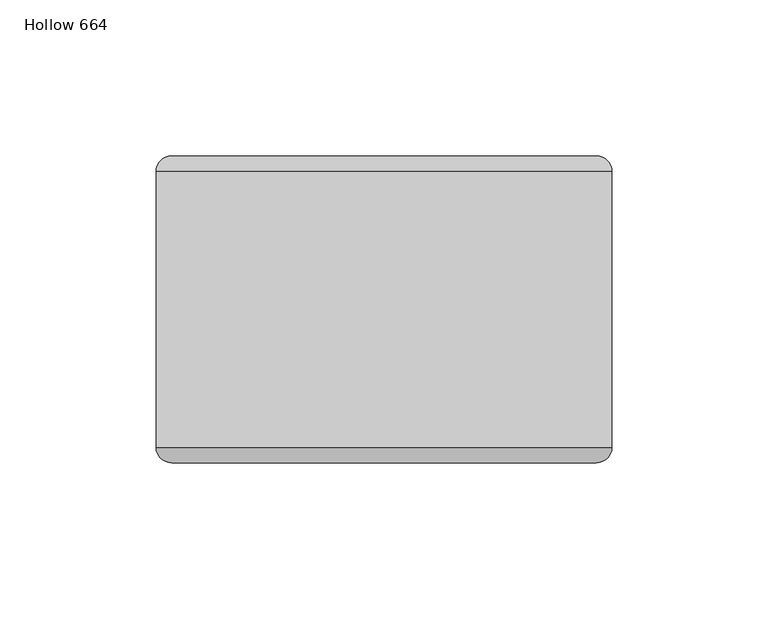
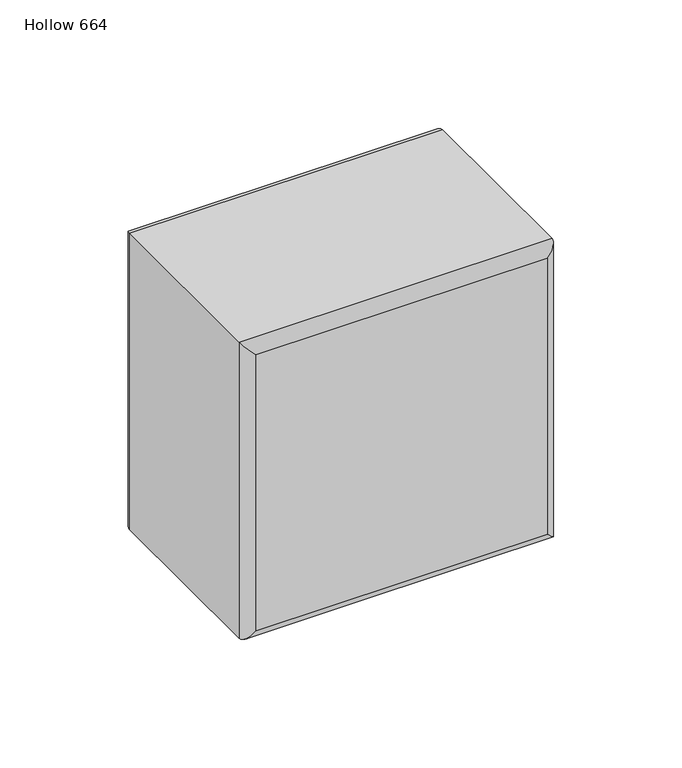
"""IFC4 building model written with IfcOpenShell, lengths in millimetres: plate geometry, Hollow 664."""

from ifc_helpers import new_model, si_unit, frame, origin, place, context, project, spatial, ellipse_curve, source, transform, mapped, element, save
from ifc_brep_helpers import plane_surface, cylinder_surface, advanced_brep


def hollow_664_4c08900d(model_context):
    return source(origin(), model_context, "Body", "AdvancedBrep", [
        advanced_brep(
        [(-73.025, -44.2, 146.1), (73.075, -44.2, 146.1), (73.075, 44.2, 146.1), (-73.025, 44.2, 146.1), (73.075, -44.2, 0.0), (-73.025, -44.2, 0.0), (-73.025, 44.2, 0.0), (73.075, 44.2, 0.0), (-68.025, -49.2, 5.0), (68.075, -49.2, 5.0), (68.075, -49.2, 141.1), (-68.025, -49.2, 141.1), (68.075, 49.2, 5.0), (-68.025, 49.2, 5.0), (-68.025, 49.2, 141.1), (68.075, 49.2, 141.1)],
        [
            (0, 1),
            (1, 2),
            (2, 3),
            (3, 0),
            (4, 5),
            (5, 6),
            (6, 7),
            (7, 4),
            (8, 9),
            (9, 10),
            (10, 11),
            (11, 8),
            (1, 4),
            (7, 2),
            (12, 13),
            (13, 14),
            (14, 15),
            (15, 12),
            (5, 0),
            (3, 6),
            (4, 9, ellipse_curve(frame((68.075, -44.2, 5.0), z_axis=(-0.7071067811865475, 0.0, -0.7071067811865475), x_axis=(0.7071067811865476, 0.0, -0.7071067811865474)), 7.0710678, 5.0)),
            (8, 5, ellipse_curve(frame((-68.025, -44.2, 5.0), z_axis=(0.7071067811865475, 0.0, -0.7071067811865475), x_axis=(0.7071067811865476, 0.0, 0.7071067811865474)), 7.0710678, 5.0)),
            (1, 10, ellipse_curve(frame((68.075, -44.2, 141.1), z_axis=(0.7071067811865475, 0.0, -0.7071067811865475), x_axis=(0.7071067811865474, 0.0, 0.7071067811865476)), 7.0710678, 5.0)),
            (0, 11, ellipse_curve(frame((-68.025, -44.2, 141.1), z_axis=(0.7071067811865475, 0.0, 0.7071067811865475), x_axis=(-0.7071067811865476, 0.0, 0.7071067811865474)), 7.0710678, 5.0)),
            (12, 7, ellipse_curve(frame((68.075, 44.2, 5.0), z_axis=(-0.7071067811865475, 0.0, -0.7071067811865475), x_axis=(0.7071067811865476, 0.0, -0.7071067811865474)), 7.0710678, 5.0)),
            (6, 13, ellipse_curve(frame((-68.025, 44.2, 5.0), z_axis=(0.7071067811865475, 0.0, -0.7071067811865475), x_axis=(0.7071067811865476, 0.0, 0.7071067811865474)), 7.0710678, 5.0)),
            (15, 2, ellipse_curve(frame((68.075, 44.2, 141.1), z_axis=(0.7071067811865475, 0.0, -0.7071067811865475), x_axis=(0.7071067811865474, 0.0, 0.7071067811865476)), 7.0710678, 5.0)),
            (14, 3, ellipse_curve(frame((-68.025, 44.2, 141.1), z_axis=(0.7071067811865475, 0.0, 0.7071067811865475), x_axis=(-0.7071067811865476, 0.0, 0.7071067811865474)), 7.0710678, 5.0)),
        ],
        [
            plane_surface(frame((-73.025, -49.2, 146.1), z_axis=(0.0, 0.0, 1.0), x_axis=(1.0, 0.0, 0.0))),
            plane_surface(frame((-73.025, -49.2, 0.0), z_axis=(0.0, 0.0, -1.0), x_axis=(-1.0, 0.0, 0.0))),
            plane_surface(frame((-73.025, -49.2, 146.1), z_axis=(0.0, -1.0, 0.0), x_axis=(0.0, 0.0, -1.0))),
            plane_surface(frame((73.075, -49.2, 146.1), z_axis=(1.0, 0.0, 0.0), x_axis=(0.0, 0.0, -1.0))),
            plane_surface(frame((73.075, 49.2, 146.1), z_axis=(0.0, 1.0, 0.0), x_axis=(0.0, 0.0, -1.0))),
            plane_surface(frame((-73.025, 49.2, 146.1), z_axis=(-1.0, 0.0, 0.0), x_axis=(0.0, 0.0, -1.0))),
            cylinder_surface(frame((-73.025, -44.2, 5.0), z_axis=(1.0, 0.0, 0.0), x_axis=(0.0, 0.0, -1.0)), 5.0),
            cylinder_surface(frame((68.075, -44.2, 0.0), z_axis=(0.0, 0.0, 1.0), x_axis=(1.0, 0.0, 0.0)), 5.0),
            cylinder_surface(frame((73.075, -44.2, 141.1), z_axis=(-1.0, 0.0, 0.0), x_axis=(0.0, 0.0, 1.0)), 5.0),
            cylinder_surface(frame((-68.025, -44.2, 146.1), z_axis=(0.0, 0.0, -1.0), x_axis=(-1.0, 0.0, 0.0)), 5.0),
            cylinder_surface(frame((-73.025, 44.2, 5.0), z_axis=(1.0, 0.0, 0.0), x_axis=(0.0, 0.0, -1.0)), 5.0),
            cylinder_surface(frame((68.075, 44.2, 0.0), z_axis=(0.0, 0.0, 1.0), x_axis=(1.0, 0.0, 0.0)), 5.0),
            cylinder_surface(frame((73.075, 44.2, 141.1), z_axis=(-1.0, 0.0, 0.0), x_axis=(0.0, 0.0, 1.0)), 5.0),
            cylinder_surface(frame((-68.025, 44.2, 146.1), z_axis=(0.0, 0.0, -1.0), x_axis=(-1.0, 0.0, 0.0)), 5.0),
        ],
        [
            (0, [[1, 2, 3, 4]]),
            (1, [[5, 6, 7, 8]]),
            (2, [[9, 10, 11, 12]]),
            (3, [[13, -8, 14, -2]]),
            (4, [[15, 16, 17, 18]]),
            (5, [[19, -4, 20, -6]]),
            (6, [[21, -9, 22, -5]]),
            (7, [[-21, -13, 23, -10]]),
            (8, [[-23, -1, 24, -11]]),
            (9, [[-22, -12, -24, -19]]),
            (10, [[25, -7, 26, -15]]),
            (11, [[-25, -18, 27, -14]]),
            (12, [[-27, -17, 28, -3]]),
            (13, [[-26, -20, -28, -16]]),
        ],
    ),
    ])


if __name__ == "__main__":
    model = new_model("IFC4")
    model_context = context("Model", 3, world=origin())
    ifc_project = project(units=[si_unit("LENGTHUNIT", "METRE", prefix="MILLI")], contexts=[model_context])
    site = spatial("IfcSite", under=ifc_project)
    building = spatial("IfcBuilding", under=site)
    placement = place(None, origin())
    hollow_664_shape = hollow_664_4c08900d(model_context)
    element("IfcPlate", 1, ObjectType="Hollow 664", at=placement, inside=building, context=model_context, shape_type="MappedRepresentation", body=[
        mapped(hollow_664_shape, transform((0.0, 0.0, 0.0), x_axis=(1.0, 0.0, 0.0), y_axis=(0.0, 1.0, 0.0), z_axis=(0.0, 0.0, 1.0))),
    ])
    save(model, "model.ifc")
